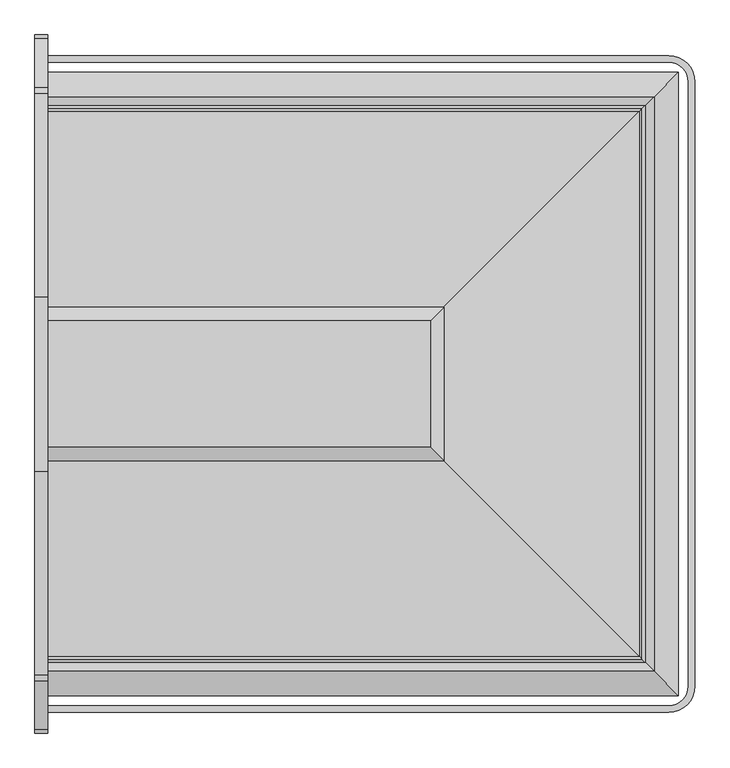
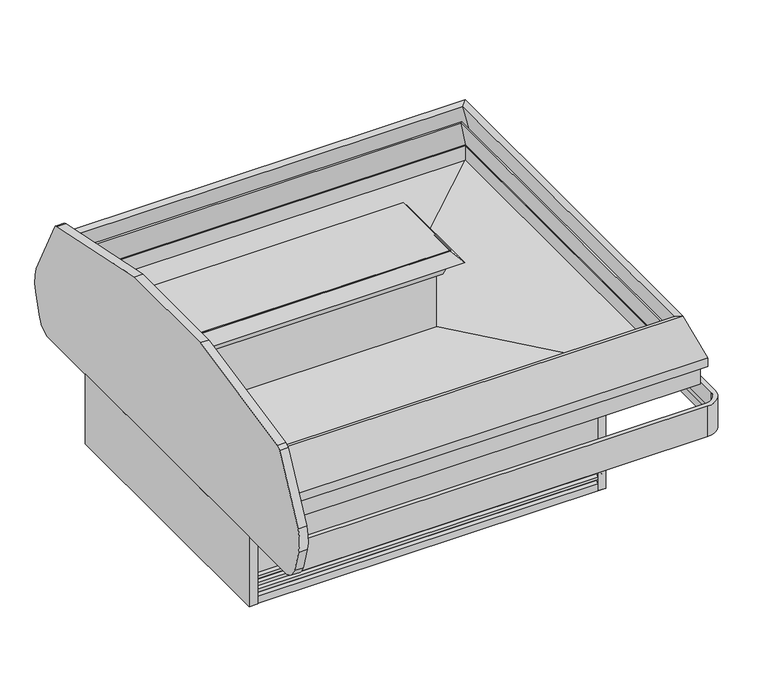
"""IFC4 building model written with IfcOpenShell, lengths in millimetres: proxy geometry."""

from ifc_helpers import new_model, si_unit, point, frame, frame_2d, origin, origin_with_axes, place, context, project, spatial, polyline, circle_curve, ellipse_curve, trimmed, segment, composite_curve, outline, extrude, faceted_brep, source, transform, mapped, element, save
from ifc_brep_helpers import plane_surface, cylinder_surface, revolved_surface, advanced_brep


def mechanical_equipment_d831899b(model_context):
    return source(origin(), model_context, "Body", "SolidModel", [
        extrude(outline(polyline([(1114.7610789, -1521.8335484), (1419.5610789, -1521.8335484), (1419.5610789, -1623.4335484), (1114.7610789, -1623.4335484), (1114.7610789, -1521.8335484)])), frame((0.0, 0.0, 139.7), z_axis=(0.0, 0.0, 1.0), x_axis=(1.0, 0.0, 0.0)), (0.0, 0.0, 1.0), 53.975),
        extrude(outline(polyline([(1528.5719993, -1987.1166266), (1528.5719993, -1952.9985136), (1560.3219993, -1952.9985136), (1560.3219993, -1987.1166266), (1528.5719993, -1987.1166266)])), origin_with_axes(), (0.0, 0.0, 1.0), 374.65),
        extrude(outline(polyline([(1528.5719993, -739.722628), (1560.3219993, -739.722628), (1560.3219993, -773.840741), (1528.5719993, -773.840741), (1528.5719993, -739.722628)])), origin_with_axes(), (0.0, 0.0, 1.0), 374.65),
        extrude(outline(polyline([(0.0, -728.4196273), (0.0, -1998.4196273), (-38.1, -1998.4196273), (-38.1, -728.4196273), (0.0, -728.4196273)])), frame((0.0, 0.0, 5.8104303), z_axis=(0.0, 0.0, 1.0), x_axis=(1.0, 0.0, 0.0)), (0.0, 0.0, 1.0), 330.2),
        extrude(outline(composite_curve([segment(trimmed(circle_curve(frame_2d((-2276.0813528, 412.2141747)), 76.2037445), [point((-2276.0813528, 336.0104303))], [point((-2349.0936528, 390.3918303))], False, "CARTESIAN"), True, "CONTINUOUS"), segment(polyline([(-2349.0936528, 390.3918303), (-2380.4118528, 495.1749721)]), True, "CONTINUOUS"), segment(trimmed(circle_curve(frame_2d((-2210.103478, 546.077738)), 177.752733), [point((-2380.4118528, 495.1749721))], [point((-2377.8321273, 604.9261391))], False, "CARTESIAN"), True, "CONTINUOUS"), segment(polyline([(-2377.8321273, 604.9261391), (-2233.2627626, 888.659493)]), True, "CONTINUOUS"), segment(trimmed(circle_curve(frame_2d((-2210.6311969, 877.1281343)), 25.4), [point((-2233.2627626, 888.659493))], [point((-2216.4820638, 901.845079))], False, "CARTESIAN"), True, "CONTINUOUS"), segment(polyline([(-2216.4820638, 901.845079), (-1619.9032333, 1025.3672201), (-1106.9360213, 1025.3672201), (-510.3571908, 901.845079)]), True, "CONTINUOUS"), segment(trimmed(circle_curve(frame_2d((-516.2080577, 877.1281343)), 25.4), [point((-510.3571908, 901.845079))], [point((-493.576492, 888.659493))], False, "CARTESIAN"), True, "CONTINUOUS"), segment(polyline([(-493.576492, 888.659493), (-349.0071273, 604.9261391)]), True, "CONTINUOUS"), segment(trimmed(circle_curve(frame_2d((-516.7357765, 546.077738)), 177.752733), [point((-349.0071273, 604.9261391))], [point((-346.4274018, 495.1749721))], False, "CARTESIAN"), True, "CONTINUOUS"), segment(polyline([(-346.4274018, 495.1749721), (-377.7456018, 390.3918303)]), True, "CONTINUOUS"), segment(trimmed(circle_curve(frame_2d((-450.7579018, 412.2141747)), 76.2037445), [point((-377.7456018, 390.3918303))], [point((-450.7579018, 336.0104303))], False, "CARTESIAN"), True, "CONTINUOUS"), segment(polyline([(-450.7579018, 336.0104303), (-2276.0813528, 336.0104303)]), True, "CONTINUOUS")], self_intersect=False)), frame((-38.1, 0.0, 0.0), z_axis=(1.0, 0.0, 0.0), x_axis=(0.0, 1.0, 0.0)), (0.0, 0.0, 1.0), 38.1),
        advanced_brep(
        [(0.0, -400.7279842, 359.085718), (0.0, -415.4599842, 359.085718), (0.0, -415.4599842, 395.026718), (0.0, -420.1796936, 421.79352), (0.0, -420.1796936, 502.405218), (0.0, -400.7279842, 502.405218), (1822.5002227, -400.7279842, 359.085718), (1899.3166431, -477.5444046, 359.085718), (1899.3166431, -2249.29485, 359.085718), (1822.5002227, -2326.1112704, 359.085718), (0.0, -2326.1112704, 359.085718), (0.0, -2311.3792704, 359.085718), (1822.5002227, -2311.3792704, 359.085718), (1884.5846431, -2249.29485, 359.085718), (1884.5846431, -477.5444046, 359.085718), (1822.5002227, -415.4599842, 359.085718), (1822.5002227, -415.4599842, 395.026718), (1822.5002227, -420.1796936, 421.79352), (1822.5002227, -420.1796936, 502.405218), (1879.8649337, -477.5444046, 502.405218), (1879.8649337, -2249.29485, 502.405218), (1822.5002227, -2306.659561, 502.405218), (0.0, -2306.659561, 502.405218), (0.0, -2326.1112704, 502.405218), (1822.5002227, -2326.1112704, 502.405218), (1899.3166431, -2249.29485, 502.405218), (1899.3166431, -477.5444046, 502.405218), (1822.5002227, -400.7279842, 502.405218), (1884.5846431, -477.5444046, 395.026718), (1879.8649337, -477.5444046, 421.79352), (1884.5846431, -2249.29485, 395.026718), (1879.8649337, -2249.29485, 421.79352), (1822.5002227, -2311.3792704, 395.026718), (1822.5002227, -2306.659561, 421.79352), (0.0, -2306.659561, 421.79352), (0.0, -2311.3792704, 395.026718)],
        [
            (0, 1),
            (1, 2),
            (2, 3),
            (3, 4),
            (4, 5),
            (5, 0),
            (0, 6),
            (6, 7, circle_curve(frame((1822.5002227, -477.5444046, 359.085718), z_axis=(0.0, 0.0, -1.0), x_axis=(0.0, 1.0, 0.0)), 76.8164204)),
            (7, 8),
            (8, 9, circle_curve(frame((1822.5002227, -2249.29485, 359.085718), z_axis=(0.0, 0.0, -1.0), x_axis=(1.0, 0.0, 0.0)), 76.8164204)),
            (9, 10),
            (10, 11),
            (11, 12),
            (12, 13, circle_curve(frame((1822.5002227, -2249.29485, 359.085718), z_axis=(0.0, 0.0, 1.0), x_axis=(1.0, 0.0, 0.0)), 62.0844204)),
            (13, 14),
            (14, 15, circle_curve(frame((1822.5002227, -477.5444046, 359.085718), z_axis=(0.0, 0.0, 1.0), x_axis=(0.0, 1.0, 0.0)), 62.0844204)),
            (15, 1),
            (15, 16),
            (16, 2),
            (16, 17),
            (17, 3),
            (17, 18),
            (18, 4),
            (18, 19, circle_curve(frame((1822.5002227, -477.5444046, 502.405218), z_axis=(0.0, 0.0, -1.0), x_axis=(0.0, 1.0, 0.0)), 57.364711)),
            (19, 20),
            (20, 21, circle_curve(frame((1822.5002227, -2249.29485, 502.405218), z_axis=(0.0, 0.0, -1.0), x_axis=(1.0, 0.0, 0.0)), 57.364711)),
            (21, 22),
            (22, 23),
            (23, 24),
            (24, 25, circle_curve(frame((1822.5002227, -2249.29485, 502.405218), z_axis=(0.0, 0.0, 1.0), x_axis=(1.0, 0.0, 0.0)), 76.8164204)),
            (25, 26),
            (26, 27, circle_curve(frame((1822.5002227, -477.5444046, 502.405218), z_axis=(0.0, 0.0, 1.0), x_axis=(0.0, 1.0, 0.0)), 76.8164204)),
            (27, 5),
            (27, 6),
            (28, 16, circle_curve(frame((1822.5002227, -477.5444046, 395.026718), z_axis=(0.0, 0.0, 1.0), x_axis=(0.0, 1.0, 0.0)), 62.0844204)),
            (14, 28),
            (29, 17, circle_curve(frame((1822.5002227, -477.5444046, 421.79352), z_axis=(0.0, 0.0, 1.0), x_axis=(0.0, 1.0, 0.0)), 57.364711)),
            (28, 29),
            (29, 19),
            (26, 7),
            (13, 30),
            (30, 28),
            (30, 31),
            (31, 29),
            (31, 20),
            (25, 8),
            (32, 30, circle_curve(frame((1822.5002227, -2249.29485, 395.026718), z_axis=(0.0, 0.0, 1.0), x_axis=(1.0, 0.0, 0.0)), 62.0844204)),
            (12, 32),
            (33, 31, circle_curve(frame((1822.5002227, -2249.29485, 421.79352), z_axis=(0.0, 0.0, 1.0), x_axis=(1.0, 0.0, 0.0)), 57.364711)),
            (32, 33),
            (33, 21),
            (24, 9),
            (10, 23),
            (22, 34),
            (34, 35),
            (35, 11),
            (35, 32),
            (34, 33),
        ],
        [
            plane_surface(frame((0.0, -401.3444046, 0.0), z_axis=(-1.0, 0.0, 0.0), x_axis=(0.0, 0.0, 1.0))),
            plane_surface(frame((0.0, -400.7279842, 359.085718), z_axis=(0.0, 0.0, -1.0), x_axis=(1.0, 0.0, 0.0))),
            plane_surface(frame((0.0, -415.4599842, 359.085718), z_axis=(0.0, -1.0, 0.0), x_axis=(1.0, 0.0, 0.0))),
            plane_surface(frame((0.0, -415.4599842, 395.026718), z_axis=(0.0, -0.9848077530122084, -0.17364817766692878), x_axis=(1.0, 0.0, 0.0))),
            plane_surface(frame((0.0, -420.1796936, 421.79352), z_axis=(0.0, -1.0, 0.0), x_axis=(1.0, 0.0, 0.0))),
            plane_surface(frame((0.0, -420.1796936, 502.405218), z_axis=(0.0, 0.0, 1.0), x_axis=(1.0, 0.0, 0.0))),
            plane_surface(frame((0.0, -400.7279842, 502.405218), z_axis=(0.0, 1.0, 0.0), x_axis=(1.0, 0.0, 0.0))),
            revolved_surface(polyline([(1822.5002227, -415.4599842, 359.085718), (1822.5002227, -415.4599842, 395.026718)]), (1822.5002227, -477.5444046, 0.0), (0.0, 0.0, -1.0)),
            revolved_surface(polyline([(1822.5002227, -415.4599842, 395.026718), (1822.5002227, -420.1796936, 421.79352)]), (1822.5002227, -477.5444046, 0.0), (0.0, 0.0, -1.0)),
            revolved_surface(polyline([(1822.5002227, -420.1796936, 421.79352), (1822.5002227, -420.1796936, 502.405218)]), (1822.5002227, -477.5444046, 0.0), (0.0, 0.0, -1.0)),
            cylinder_surface(frame((1822.5002227, -477.5444046, 0.0), z_axis=(0.0, 0.0, -1.0), x_axis=(0.0, 1.0, 0.0)), 76.8164204),
            plane_surface(frame((1884.5846431, -477.5444046, 359.085718), z_axis=(-1.0, 0.0, 0.0), x_axis=(0.0, -1.0, 0.0))),
            plane_surface(frame((1884.5846431, -477.5444046, 395.026718), z_axis=(-0.9848077530122084, 0.0, -0.17364817766692878), x_axis=(0.0, -1.0, 0.0))),
            plane_surface(frame((1879.8649337, -477.5444046, 421.79352), z_axis=(-1.0, 0.0, 0.0), x_axis=(0.0, -1.0, 0.0))),
            plane_surface(frame((1899.3166431, -477.5444046, 502.405218), z_axis=(1.0, 0.0, 0.0), x_axis=(0.0, -1.0, 0.0))),
            revolved_surface(polyline([(1884.5846431, -2249.29485, 359.085718), (1884.5846431, -2249.29485, 395.026718)]), (1822.5002227, -2249.29485, 0.0), (0.0, 0.0, -1.0)),
            revolved_surface(polyline([(1884.5846431, -2249.29485, 395.026718), (1879.8649337, -2249.29485, 421.79352)]), (1822.5002227, -2249.29485, 0.0), (0.0, 0.0, -1.0)),
            revolved_surface(polyline([(1879.8649337, -2249.29485, 421.79352), (1879.8649337, -2249.29485, 502.405218)]), (1822.5002227, -2249.29485, 0.0), (0.0, 0.0, -1.0)),
            cylinder_surface(frame((1822.5002227, -2249.29485, 0.0), z_axis=(0.0, 0.0, -1.0), x_axis=(1.0, 0.0, 0.0)), 76.8164204),
            plane_surface(frame((0.0, -2325.49485, 0.0), z_axis=(-1.0, 0.0, 0.0), x_axis=(0.0, 0.0, 1.0))),
            plane_surface(frame((1822.5002227, -2311.3792704, 359.085718), z_axis=(0.0, 1.0, 0.0), x_axis=(-1.0, 0.0, 0.0))),
            plane_surface(frame((1822.5002227, -2311.3792704, 395.026718), z_axis=(0.0, 0.9848077530122084, -0.17364817766692878), x_axis=(-1.0, 0.0, 0.0))),
            plane_surface(frame((1822.5002227, -2306.659561, 421.79352), z_axis=(0.0, 1.0, 0.0), x_axis=(-1.0, 0.0, 0.0))),
            plane_surface(frame((1822.5002227, -2326.1112704, 502.405218), z_axis=(0.0, -1.0, 0.0), x_axis=(-1.0, 0.0, 0.0))),
        ],
        [
            (0, [[1, 2, 3, 4, 5, 6]]),
            (1, [[-1, 7, 8, 9, 10, 11, 12, 13, 14, 15, 16, 17]]),
            (2, [[-2, -17, 18, 19]]),
            (3, [[-3, -19, 20, 21]]),
            (4, [[-4, -21, 22, 23]]),
            (5, [[-5, -23, 24, 25, 26, 27, 28, 29, 30, 31, 32, 33]]),
            (6, [[-6, -33, 34, -7]]),
            (7, [[35, -18, -16, 36]]),
            (8, [[37, -20, -35, 38]]),
            (9, [[-24, -22, -37, 39]]),
            (10, [[-8, -34, -32, 40]]),
            (11, [[-36, -15, 41, 42]]),
            (12, [[-38, -42, 43, 44]]),
            (13, [[-39, -44, 45, -25]]),
            (14, [[-40, -31, 46, -9]]),
            (15, [[47, -41, -14, 48]]),
            (16, [[49, -43, -47, 50]]),
            (17, [[-26, -45, -49, 51]]),
            (18, [[-10, -46, -30, 52]]),
            (19, [[53, -28, 54, 55, 56, -12]]),
            (20, [[-48, -13, -56, 57]]),
            (21, [[-50, -57, -55, 58]]),
            (22, [[-51, -58, -54, -27]]),
            (23, [[-52, -29, -53, -11]]),
        ],
    ),
        extrude(outline(composite_curve([segment(trimmed(circle_curve(frame_2d((914.4, -1363.4196273)), 19.05), [point((895.35, -1363.4196273))], [point((933.45, -1363.4196273))], False, "CARTESIAN"), True, "CONTINUOUS"), segment(trimmed(circle_curve(frame_2d((914.4, -1363.4196273)), 19.05), [point((933.45, -1363.4196273))], [point((895.35, -1363.4196273))], False, "CARTESIAN"), True, "CONTINUOUS")], self_intersect=False)), frame((0.0, 0.0, 43.7437524), z_axis=(0.0, 0.0, 1.0), x_axis=(1.0, 0.0, 0.0)), (0.0, 0.0, 1.0), 210.2562476),
        extrude(outline(composite_curve([segment(trimmed(circle_curve(frame_2d((636.4705885, -1029.9828833)), 11.1125), [point((625.3580885, -1029.9828833))], [point((647.5830885, -1029.9828833))], False, "CARTESIAN"), True, "CONTINUOUS"), segment(trimmed(circle_curve(frame_2d((636.4705885, -1029.9828833)), 11.1125), [point((647.5830885, -1029.9828833))], [point((625.3580885, -1029.9828833))], False, "CARTESIAN"), True, "CONTINUOUS")], self_intersect=False)), frame((0.0, 0.0, 87.4159355), z_axis=(0.0, 0.0, 1.0), x_axis=(1.0, 0.0, 0.0)), (0.0, 0.0, 1.0), 166.5840645),
        extrude(outline(composite_curve([segment(trimmed(circle_curve(frame_2d((636.9382345, -1050.5593095)), 4.7625), [point((632.1757345, -1050.5593095))], [point((641.7007345, -1050.5593095))], False, "CARTESIAN"), True, "CONTINUOUS"), segment(trimmed(circle_curve(frame_2d((636.9382345, -1050.5593095)), 4.7625), [point((641.7007345, -1050.5593095))], [point((632.1757345, -1050.5593095))], False, "CARTESIAN"), True, "CONTINUOUS")], self_intersect=False)), frame((0.0, 0.0, 87.4159355), z_axis=(0.0, 0.0, 1.0), x_axis=(1.0, 0.0, 0.0)), (0.0, 0.0, 1.0), 166.5840645),
        faceted_brep([(0.0, -1987.1166266, 146.05), (0.0, -1987.1166266, 354.3983804), (0.0, -1969.2096266, 354.3983804), (0.0, -1969.2096266, 374.65), (0.0, -1865.4057062, 374.65), (0.0, -1865.4057062, 146.05), (1560.3219993, -1987.1166266, 146.05), (1560.3219993, -1987.1166266, 354.3983804), (1560.3219993, -739.722628, 354.3983804), (0.0, -739.722628, 354.3983804), (0.0, -757.629628, 354.3983804), (1542.4149993, -757.629628, 354.3983804), (1542.4149993, -1969.2096266, 354.3983804), (1542.4149993, -1969.2096266, 374.65), (1542.4149993, -757.629628, 374.65), (0.0, -757.629628, 374.65), (0.0, -861.4335484, 374.65), (1438.6110789, -861.4335484, 374.65), (1438.6110789, -1865.4057062, 374.65), (1438.6110789, -1865.4057062, 146.05), (1438.6110789, -1665.3807062, 146.05), (1438.6110789, -1508.4341352, 146.05), (1438.6110789, -861.4335484, 146.05), (0.0, -861.4335484, 146.05), (0.0, -739.722628, 146.05), (1560.3219993, -739.722628, 146.05)], [[[0, 1, 2, 3, 4, 5]], [[1, 0, 6, 7]], [[2, 1, 7, 8, 9, 10, 11, 12]], [[3, 2, 12, 13]], [[4, 3, 13, 14, 15, 16, 17, 18]], [[5, 4, 18, 19]], [[0, 5, 19, 20, 21, 22, 23, 24, 25, 6]], [[7, 6, 25, 8]], [[12, 11, 14, 13]], [[18, 17, 22, 21, 20, 19]], [[10, 9, 24, 23, 16, 15]], [[9, 8, 25, 24]], [[11, 10, 15, 14]], [[17, 16, 23, 22]]]),
        advanced_brep(
        [(1438.6110789, -1508.4341352, 561.4683528), (1438.6110789, -1508.4341352, 449.6331021), (1438.6110789, -1764.6985468, 436.6496591), (1438.6110789, -1779.7804526, 422.3615379), (1438.6110789, -1794.8612198, 436.6485806), (1438.6110789, -1901.8970159, 440.5227377), (1438.6110789, -1901.8970159, 374.65), (1438.6110789, -1865.4057062, 374.65), (1438.6110789, -1865.4057062, 139.7), (1438.6110789, -1665.3807062, 139.7), (1438.6110789, -1665.3807062, 206.9984495), (1438.6110789, -1508.4341352, 206.9984495), (1438.6110789, -1508.4341352, 139.7), (1438.6110789, -861.4335484, 139.7), (1438.6110789, -861.4335484, 374.65), (1438.6110789, -824.9422387, 374.65), (1438.6110789, -824.9422387, 440.5227377), (1438.6110789, -931.9780348, 436.6485806), (1438.6110789, -947.058802, 422.3615379), (1438.6110789, -962.1407078, 436.6496591), (1438.6110789, -1218.4051194, 449.6331021), (1438.6110789, -1218.4051194, 561.4683528), (0.0, -1508.4341352, 561.4683528), (0.0, -1218.4051194, 561.4683528), (0.0, -1218.4051194, 449.6331021), (0.0, -962.1407078, 436.6496591), (0.0, -947.058802, 422.3615379), (0.0, -931.9780348, 436.6485806), (0.0, -824.9422387, 440.5227377), (0.0, -824.9422387, 374.65), (0.0, -861.4335484, 374.65), (0.0, -861.4335484, 139.7), (0.0, -1865.4057062, 139.7), (0.0, -1865.4057062, 374.65), (0.0, -1901.8970159, 374.65), (0.0, -1901.8970159, 440.5227377), (0.0, -1794.8612198, 436.6485806), (0.0, -1779.7804526, 422.3615379), (0.0, -1764.6985468, 436.6496591), (0.0, -1508.4341352, 449.6331021), (1063.9610789, -1508.4341352, 139.7), (1063.9610789, -1665.3807062, 139.7), (611.1875, -1039.5696273, 139.7), (661.9875, -1039.5696273, 139.7), (882.65, -1362.9182706, 139.7), (946.15, -1362.9182706, 139.7), (611.1875, -1039.5696273, 254.0), (661.9875, -1039.5696273, 254.0), (882.65, -1362.9182706, 254.0), (946.15, -1362.9182706, 254.0), (1063.9610789, -1665.3807062, 206.9984495), (1063.9610789, -1508.4341352, 206.9984495)],
        [
            (0, 1),
            (1, 2),
            (2, 3),
            (3, 4),
            (4, 5),
            (5, 6),
            (6, 7),
            (7, 8),
            (8, 9),
            (9, 10),
            (10, 11),
            (11, 12),
            (12, 13),
            (13, 14),
            (14, 15),
            (15, 16),
            (16, 17),
            (17, 18),
            (18, 19),
            (19, 20),
            (20, 21),
            (21, 0),
            (22, 23),
            (23, 24),
            (24, 25),
            (25, 26),
            (26, 27),
            (27, 28),
            (28, 29),
            (29, 30),
            (30, 31),
            (31, 32),
            (32, 33),
            (33, 34),
            (34, 35),
            (35, 36),
            (36, 37),
            (37, 38),
            (38, 39),
            (39, 22),
            (21, 23),
            (22, 0),
            (39, 1),
            (7, 33),
            (32, 8),
            (31, 13),
            (12, 40),
            (40, 41),
            (41, 9),
            (42, 43, circle_curve(frame((636.5875, -1039.5696273, 139.7), z_axis=(0.0, 0.0, 1.0), x_axis=(1.0, 0.0, 0.0)), 25.4)),
            (43, 42, circle_curve(frame((636.5875, -1039.5696273, 139.7), z_axis=(0.0, 0.0, 1.0), x_axis=(1.0, 0.0, 0.0)), 25.4)),
            (44, 45, circle_curve(frame((914.4, -1362.9182706, 139.7), z_axis=(0.0, 0.0, 1.0), x_axis=(1.0, 0.0, 0.0)), 31.75)),
            (45, 44, circle_curve(frame((914.4, -1362.9182706, 139.7), z_axis=(0.0, 0.0, 1.0), x_axis=(1.0, 0.0, 0.0)), 31.75)),
            (6, 34),
            (46, 47, circle_curve(frame((636.5875, -1039.5696273, 254.0), z_axis=(0.0, 0.0, -1.0), x_axis=(1.0, 0.0, 0.0)), 25.4)),
            (47, 46, circle_curve(frame((636.5875, -1039.5696273, 254.0), z_axis=(0.0, 0.0, -1.0), x_axis=(1.0, 0.0, 0.0)), 25.4)),
            (47, 43),
            (42, 46),
            (48, 49, circle_curve(frame((914.4, -1362.9182706, 254.0), z_axis=(0.0, 0.0, -1.0), x_axis=(1.0, 0.0, 0.0)), 31.75)),
            (49, 48, circle_curve(frame((914.4, -1362.9182706, 254.0), z_axis=(0.0, 0.0, -1.0), x_axis=(1.0, 0.0, 0.0)), 31.75)),
            (49, 45),
            (44, 48),
            (50, 51),
            (51, 11),
            (10, 50),
            (41, 50),
            (51, 40),
            (38, 2),
            (5, 35),
            (37, 3),
            (36, 4),
            (30, 14),
            (29, 15),
            (28, 16),
            (27, 17),
            (26, 18),
            (25, 19),
            (24, 20),
        ],
        [
            plane_surface(frame((1438.6110789, -1508.4341352, 561.4683528), z_axis=(1.0, 0.0, 0.0), x_axis=(0.0, 0.0, -1.0))),
            plane_surface(frame((0.0, -1508.4341352, 561.4683528), z_axis=(-1.0, 0.0, 0.0), x_axis=(0.0, 0.0, 1.0))),
            plane_surface(frame((1438.6110789, -1218.4051194, 561.4683528), z_axis=(0.0, 0.0, 1.0), x_axis=(-1.0, 0.0, 0.0))),
            plane_surface(frame((1438.6110789, -1508.4341352, 561.4683528), z_axis=(0.0, -1.0, 0.0), x_axis=(-1.0, 0.0, 0.0))),
            plane_surface(frame((1438.6110789, -1865.4057062, 374.65), z_axis=(0.0, -1.0, 0.0), x_axis=(-1.0, 0.0, 0.0))),
            plane_surface(frame((1438.6110789, -1865.4057062, 139.7), z_axis=(0.0, 0.0, -1.0), x_axis=(-1.0, 0.0, 0.0))),
            plane_surface(frame((1438.6110789, -1901.8970159, 374.65), z_axis=(0.0, 0.0, -1.0), x_axis=(-1.0, 0.0, 0.0))),
            plane_surface(frame((661.9875, -1039.5696273, 254.0), z_axis=(0.0, 0.0, -1.0), x_axis=(0.0, 1.0, 0.0))),
            revolved_surface(polyline([(661.9875, -1039.5696273, 254.0), (661.9875, -1039.5696273, 139.7)]), (636.5875, -1039.5696273, 0.0), (0.0, 0.0, 1.0)),
            plane_surface(frame((946.15, -1362.9182706, 254.0), z_axis=(0.0, 0.0, -1.0), x_axis=(0.0, 1.0, 0.0))),
            revolved_surface(polyline([(946.15, -1362.9182706, 254.0), (946.15, -1362.9182706, 139.7)]), (914.4, -1362.9182706, 0.0), (0.0, 0.0, 1.0)),
            plane_surface(frame((1438.6110789, -1665.3807062, 206.9984495), z_axis=(0.0, 0.0, -1.0), x_axis=(1.0, 0.0, 0.0))),
            plane_surface(frame((1063.9610789, -1665.3807062, 206.9984495), z_axis=(0.0, 1.0, 0.0), x_axis=(0.0, 0.0, -1.0))),
            plane_surface(frame((1438.6110789, -1508.4341352, 206.9984495), z_axis=(0.0, -1.0, 0.0), x_axis=(0.0, 0.0, -1.0))),
            plane_surface(frame((1063.9610789, -1508.4341352, 206.9984495), z_axis=(1.0, 0.0, 0.0), x_axis=(0.0, 0.0, -1.0))),
            plane_surface(frame((1438.6110789, -1508.4341352, 449.6331021), z_axis=(0.0, -0.05059934604185482, 0.9987190326513943), x_axis=(-1.0, 0.0, 0.0))),
            plane_surface(frame((1438.6110789, -1901.8970159, 440.5227377), z_axis=(0.0, -1.0, 0.0), x_axis=(-1.0, 0.0, 0.0))),
            plane_surface(frame((1438.6110789, -1764.6985468, 436.6496591), z_axis=(0.0, -0.6877446479107795, 0.72595268390583), x_axis=(-1.0, 0.0, 0.0))),
            plane_surface(frame((1438.6110789, -1779.7804526, 422.3615379), z_axis=(0.0, 0.6877446479107768, 0.7259526839058327), x_axis=(-1.0, 0.0, 0.0))),
            plane_surface(frame((1438.6110789, -1794.8612198, 436.6485806), z_axis=(0.0, 0.036171280996502485, 0.9993456050991929), x_axis=(-1.0, 0.0, 0.0))),
            plane_surface(frame((1438.6110789, -861.4335484, 139.7), z_axis=(0.0, 1.0, 0.0), x_axis=(-1.0, 0.0, 0.0))),
            plane_surface(frame((1438.6110789, -861.4335484, 374.65), z_axis=(0.0, 0.0, -1.0), x_axis=(-1.0, 0.0, 0.0))),
            plane_surface(frame((1438.6110789, -824.9422387, 374.65), z_axis=(0.0, 1.0, 0.0), x_axis=(-1.0, 0.0, 0.0))),
            plane_surface(frame((1438.6110789, -824.9422387, 440.5227377), z_axis=(0.0, -0.03617128099650132, 0.999345605099193), x_axis=(-1.0, 0.0, 0.0))),
            plane_surface(frame((1438.6110789, -931.9780348, 436.6485806), z_axis=(0.0, -0.687744647910777, 0.7259526839058325), x_axis=(-1.0, 0.0, 0.0))),
            plane_surface(frame((1438.6110789, -947.058802, 422.3615379), z_axis=(0.0, 0.6877446479107832, 0.7259526839058267), x_axis=(-1.0, 0.0, 0.0))),
            plane_surface(frame((1438.6110789, -962.1407078, 436.6496591), z_axis=(0.0, 0.05059934604185525, 0.9987190326513942), x_axis=(-1.0, 0.0, 0.0))),
            plane_surface(frame((1438.6110789, -1218.4051194, 449.6331021), z_axis=(0.0, 1.0, 0.0), x_axis=(-1.0, 0.0, 0.0))),
        ],
        [
            (0, [[1, 2, 3, 4, 5, 6, 7, 8, 9, 10, 11, 12, 13, 14, 15, 16, 17, 18, 19, 20, 21, 22]]),
            (1, [[23, 24, 25, 26, 27, 28, 29, 30, 31, 32, 33, 34, 35, 36, 37, 38, 39, 40]]),
            (2, [[-22, 41, -23, 42]]),
            (3, [[-1, -42, -40, 43]]),
            (4, [[-8, 44, -33, 45]]),
            (5, [[-32, 46, -13, 47, 48, 49, -9, -45], [50, 51], [52, 53]]),
            (6, [[-7, 54, -34, -44]]),
            (7, [[55, 56]]),
            (8, [[-56, 57, -50, 58]]),
            (8, [[-55, -58, -51, -57]]),
            (9, [[59, 60]]),
            (10, [[-60, 61, -52, 62]]),
            (10, [[-59, -62, -53, -61]]),
            (11, [[63, 64, -11, 65]]),
            (12, [[-65, -10, -49, 66]]),
            (13, [[-64, 67, -47, -12]]),
            (14, [[-63, -66, -48, -67]]),
            (15, [[-2, -43, -39, 68]]),
            (16, [[-6, 69, -35, -54]]),
            (17, [[-3, -68, -38, 70]]),
            (18, [[-4, -70, -37, 71]]),
            (19, [[-5, -71, -36, -69]]),
            (20, [[-14, -46, -31, 72]]),
            (21, [[-15, -72, -30, 73]]),
            (22, [[-16, -73, -29, 74]]),
            (23, [[-17, -74, -28, 75]]),
            (24, [[-18, -75, -27, 76]]),
            (25, [[-19, -76, -26, 77]]),
            (26, [[-20, -77, -25, 78]]),
            (27, [[-21, -78, -24, -41]]),
        ],
    ),
        advanced_brep(
        [(0.0, -1973.7348032, 41.0863151), (0.0, -1970.2457061, 52.2515752), (0.0, -1980.8829014, 50.0937524), (0.0, -1982.8768014, 50.0937524), (0.0, -1982.8768014, 62.7937524), (0.0, -1973.7348032, 72.0584982), (0.0, -1970.2457061, 83.2237583), (0.0, -1980.8829014, 81.0659355), (0.0, -1982.8768014, 81.0659355), (0.0, -1982.8768014, 93.7659355), (0.0, -1973.7348032, 103.0306813), (0.0, -1970.2457061, 114.0694894), (0.0, -1980.8829014, 112.0383055), (0.0, -1982.8768014, 112.0383055), (0.0, -1982.8768014, 124.7383055), (0.0, -1970.2457061, 137.4381186), (0.0, -1970.2457061, 146.05), (0.0, -1960.1374494, 146.05), (0.0, -1960.1374494, 0.0), (0.0, -1985.7651061, 0.0), (0.0, -1985.7651061, 31.4790022), (0.0, -753.1044514, 41.0863151), (0.0, -741.0741485, 31.4790022), (0.0, -741.0741485, 0.0), (0.0, -766.7018052, 0.0), (0.0, -766.7018052, 146.05), (0.0, -756.5935485, 146.05), (0.0, -756.5935485, 137.4381186), (0.0, -743.9624532, 124.7383055), (0.0, -743.9624532, 112.0383055), (0.0, -745.9563532, 112.0383055), (0.0, -756.5935485, 114.0694894), (0.0, -753.1044514, 103.0306813), (0.0, -743.9624532, 93.7659355), (0.0, -743.9624532, 81.0659355), (0.0, -745.9563532, 81.0659355), (0.0, -756.5935485, 83.2237583), (0.0, -753.1044514, 72.0584982), (0.0, -743.9624532, 62.7937524), (0.0, -743.9624532, 50.0937524), (0.0, -745.9563532, 50.0937524), (0.0, -756.5935485, 52.2515752), (1546.9401759, -1973.7348032, 41.0863151), (1543.4510788, -1970.2457061, 52.2515752), (1554.0882741, -1980.8829014, 50.0937524), (1554.0882741, -745.9563532, 50.0937524), (1556.0821741, -743.9624532, 50.0937524), (1556.0821741, -1982.8768014, 50.0937524), (1556.0821741, -1982.8768014, 62.7937524), (1546.9401759, -1973.7348032, 72.0584982), (1543.4510788, -1970.2457061, 83.2237583), (1554.0882741, -1980.8829014, 81.0659355), (1554.0882741, -745.9563532, 81.0659355), (1556.0821741, -743.9624532, 81.0659355), (1556.0821741, -1982.8768014, 81.0659355), (1556.0821741, -1982.8768014, 93.7659355), (1546.9401759, -1973.7348032, 103.0306813), (1543.4510788, -1970.2457061, 114.0694894), (1554.0882741, -1980.8829014, 112.0383055), (1554.0882741, -745.9563532, 112.0383055), (1556.0821741, -743.9624532, 112.0383055), (1556.0821741, -1982.8768014, 112.0383055), (1556.0821741, -1982.8768014, 124.7383055), (1543.4510788, -1970.2457061, 137.4381186), (1543.4510788, -1970.2457061, 146.05), (1543.4510788, -756.5935485, 146.05), (1533.3428221, -766.7018052, 146.05), (1533.3428221, -1960.1374494, 146.05), (1533.3428221, -1960.1374494, 0.0), (1533.3428221, -766.7018052, 0.0), (1558.9704788, -741.0741485, 0.0), (1558.9704788, -1985.7651061, 0.0), (1558.9704788, -1985.7651061, 31.4790022), (1546.9401759, -753.1044514, 41.0863151), (1543.4510788, -756.5935485, 52.2515752), (1556.0821741, -743.9624532, 62.7937524), (1546.9401759, -753.1044514, 72.0584982), (1543.4510788, -756.5935485, 83.2237583), (1556.0821741, -743.9624532, 93.7659355), (1546.9401759, -753.1044514, 103.0306813), (1543.4510788, -756.5935485, 114.0694894), (1556.0821741, -743.9624532, 124.7383055), (1543.4510788, -756.5935485, 137.4381186), (1558.9704788, -741.0741485, 31.4790022)],
        [
            (0, 1),
            (1, 2),
            (2, 3),
            (3, 4),
            (4, 5, circle_curve(frame((0.0, -1986.0686404, 75.0861144), z_axis=(1.0, 0.0, 0.0), x_axis=(0.0, 1.0, 0.0)), 12.7)),
            (5, 6),
            (6, 7),
            (7, 8),
            (8, 9),
            (9, 10, circle_curve(frame((0.0, -1986.0686404, 106.0582975), z_axis=(1.0, 0.0, 0.0), x_axis=(0.0, 1.0, 0.0)), 12.7)),
            (10, 11),
            (11, 12),
            (12, 13),
            (13, 14),
            (14, 15, circle_curve(frame((0.0, -1982.9457061, 137.4381186), z_axis=(1.0, 0.0, 0.0), x_axis=(0.0, 1.0, 0.0)), 12.7)),
            (15, 16),
            (16, 17),
            (17, 18),
            (18, 19),
            (19, 20),
            (20, 0, circle_curve(frame((0.0, -1984.7113588, 42.4953422), z_axis=(1.0, 0.0, 0.0), x_axis=(0.0, 1.0, 0.0)), 11.0666223)),
            (21, 22, circle_curve(frame((0.0, -742.1278958, 42.4953422), z_axis=(1.0, 0.0, 0.0), x_axis=(0.0, -1.0, 0.0)), 11.0666223)),
            (22, 23),
            (23, 24),
            (24, 25),
            (25, 26),
            (26, 27),
            (27, 28, circle_curve(frame((0.0, -743.8935485, 137.4381186), z_axis=(1.0, 0.0, 0.0), x_axis=(0.0, -1.0, 0.0)), 12.7)),
            (28, 29),
            (29, 30),
            (30, 31),
            (31, 32),
            (32, 33, circle_curve(frame((0.0, -740.7706142, 106.0582975), z_axis=(1.0, 0.0, 0.0), x_axis=(0.0, -1.0, 0.0)), 12.7)),
            (33, 34),
            (34, 35),
            (35, 36),
            (36, 37),
            (37, 38, circle_curve(frame((0.0, -740.7706142, 75.0861144), z_axis=(1.0, 0.0, 0.0), x_axis=(0.0, -1.0, 0.0)), 12.7)),
            (38, 39),
            (39, 40),
            (40, 41),
            (41, 21),
            (0, 42),
            (42, 43),
            (43, 1),
            (43, 44),
            (44, 2),
            (44, 45),
            (45, 40),
            (39, 46),
            (46, 47),
            (47, 3),
            (47, 48),
            (48, 4),
            (48, 49, ellipse_curve(frame((1559.2740131, -1986.0686404, 75.0861144), z_axis=(0.7071067811865475, 0.7071067811865475, 0.0), x_axis=(0.7071067811865476, -0.7071067811865474, 0.0)), 17.9605122, 12.7)),
            (49, 5),
            (49, 50),
            (50, 6),
            (50, 51),
            (51, 7),
            (51, 52),
            (52, 35),
            (34, 53),
            (53, 54),
            (54, 8),
            (54, 55),
            (55, 9),
            (55, 56, ellipse_curve(frame((1559.2740131, -1986.0686404, 106.0582975), z_axis=(0.7071067811865475, 0.7071067811865475, 0.0), x_axis=(0.7071067811865476, -0.7071067811865474, 0.0)), 17.9605122, 12.7)),
            (56, 10),
            (56, 57),
            (57, 11),
            (57, 58),
            (58, 12),
            (58, 59),
            (59, 30),
            (29, 60),
            (60, 61),
            (61, 13),
            (61, 62),
            (62, 14),
            (62, 63, ellipse_curve(frame((1556.1510788, -1982.9457061, 137.4381186), z_axis=(0.7071067811865475, 0.7071067811865475, 0.0), x_axis=(0.7071067811865476, -0.7071067811865474, 0.0)), 17.9605122, 12.7)),
            (63, 15),
            (63, 64),
            (64, 16),
            (64, 65),
            (65, 26),
            (25, 66),
            (66, 67),
            (67, 17),
            (67, 68),
            (68, 18),
            (68, 69),
            (69, 24),
            (23, 70),
            (70, 71),
            (71, 19),
            (71, 72),
            (72, 20),
            (72, 42, ellipse_curve(frame((1557.9167315, -1984.7113588, 42.4953422), z_axis=(0.7071067811865475, 0.7071067811865475, 0.0), x_axis=(0.7071067811865476, -0.7071067811865474, 0.0)), 15.6505674, 11.0666223)),
            (42, 73),
            (73, 74),
            (74, 43),
            (74, 45),
            (46, 75),
            (75, 48),
            (75, 76, ellipse_curve(frame((1559.2740131, -740.7706142, 75.0861144), z_axis=(-0.7071067811865475, 0.7071067811865475, 0.0), x_axis=(0.7071067811865474, 0.7071067811865476, 0.0)), 17.9605122, 12.7)),
            (76, 49),
            (76, 77),
            (77, 50),
            (77, 52),
            (53, 78),
            (78, 55),
            (78, 79, ellipse_curve(frame((1559.2740131, -740.7706142, 106.0582975), z_axis=(-0.7071067811865475, 0.7071067811865475, 0.0), x_axis=(0.7071067811865474, 0.7071067811865476, 0.0)), 17.9605122, 12.7)),
            (79, 56),
            (79, 80),
            (80, 57),
            (80, 59),
            (60, 81),
            (81, 62),
            (81, 82, ellipse_curve(frame((1556.1510788, -743.8935485, 137.4381186), z_axis=(-0.7071067811865475, 0.7071067811865475, 0.0), x_axis=(0.7071067811865474, 0.7071067811865476, 0.0)), 17.9605122, 12.7)),
            (82, 63),
            (82, 65),
            (66, 69),
            (70, 83),
            (83, 72),
            (83, 73, ellipse_curve(frame((1557.9167315, -742.1278958, 42.4953422), z_axis=(-0.7071067811865475, 0.7071067811865475, 0.0), x_axis=(0.7071067811865474, 0.7071067811865476, 0.0)), 15.6505674, 11.0666223)),
            (41, 74),
            (73, 21),
            (38, 75),
            (37, 76),
            (36, 77),
            (33, 78),
            (32, 79),
            (31, 80),
            (28, 81),
            (27, 82),
            (22, 83),
        ],
        [
            plane_surface(frame((0.0, -2377.8321273, 0.0), z_axis=(-1.0, 0.0, 0.0), x_axis=(0.0, 0.0, 1.0))),
            plane_surface(frame((0.0, -349.0071273, 0.0), z_axis=(-1.0, 0.0, 0.0), x_axis=(0.0, 0.0, 1.0))),
            plane_surface(frame((0.0, -1973.7348032, 41.0863151), z_axis=(0.0, -0.9544811145040176, 0.29827135641085006), x_axis=(1.0, 0.0, 0.0))),
            plane_surface(frame((0.0, -1970.2457061, 52.2515752), z_axis=(0.0, 0.19880707887699167, -0.9800386448443743), x_axis=(1.0, 0.0, 0.0))),
            plane_surface(frame((0.0, -1980.8829014, 50.0937524), z_axis=(0.0, 0.0, -1.0), x_axis=(1.0, 0.0, 0.0))),
            plane_surface(frame((0.0, -1982.8768014, 50.0937524), z_axis=(0.0, -1.0, 0.0), x_axis=(1.0, 0.0, 0.0))),
            revolved_surface(polyline([(1571.9740130702037, -1973.3686404, 75.0861144), (0.0, -1973.3686404, 75.0861144)]), (0.0, -1986.0686404, 75.0861144), (1.0, 0.0, 0.0)),
            plane_surface(frame((0.0, -1973.7348032, 72.0584982), z_axis=(0.0, -0.9544811145039999, 0.29827135641090713), x_axis=(1.0, 0.0, 0.0))),
            plane_surface(frame((0.0, -1970.2457061, 83.2237583), z_axis=(0.0, 0.19880707887699767, -0.9800386448443731), x_axis=(1.0, 0.0, 0.0))),
            plane_surface(frame((0.0, -1980.8829014, 81.0659355), z_axis=(0.0, 0.0, -1.0), x_axis=(1.0, 0.0, 0.0))),
            plane_surface(frame((0.0, -1982.8768014, 81.0659355), z_axis=(0.0, -1.0, 0.0), x_axis=(1.0, 0.0, 0.0))),
            revolved_surface(polyline([(1571.9740130702037, -1973.3686404, 106.0582975), (0.0, -1973.3686404, 106.0582975)]), (0.0, -1986.0686404, 106.0582975), (1.0, 0.0, 0.0)),
            plane_surface(frame((0.0, -1973.7348032, 103.0306813), z_axis=(0.0, -0.9535043111328462, 0.30137937661870046), x_axis=(1.0, 0.0, 0.0))),
            plane_surface(frame((0.0, -1970.2457061, 114.0694894), z_axis=(0.0, 0.18756221551803973, -0.9822527247658641), x_axis=(1.0, 0.0, 0.0))),
            plane_surface(frame((0.0, -1980.8829014, 112.0383055), z_axis=(0.0, 0.0, -1.0), x_axis=(1.0, 0.0, 0.0))),
            plane_surface(frame((0.0, -1982.8768014, 112.0383055), z_axis=(0.0, -1.0, 0.0), x_axis=(1.0, 0.0, 0.0))),
            revolved_surface(polyline([(1568.8510787702037, -1970.2457061, 137.4381186), (0.0, -1970.2457061, 137.4381186)]), (0.0, -1982.9457061, 137.4381186), (1.0, 0.0, 0.0)),
            plane_surface(frame((0.0, -1970.2457061, 137.4381186), z_axis=(0.0, -1.0, 0.0), x_axis=(1.0, 0.0, 0.0))),
            plane_surface(frame((0.0, -1970.2457061, 146.05), z_axis=(0.0, 0.0, 1.0), x_axis=(1.0, 0.0, 0.0))),
            plane_surface(frame((0.0, -1960.1374494, 146.05), z_axis=(0.0, 1.0, 0.0), x_axis=(1.0, 0.0, 0.0))),
            plane_surface(frame((0.0, -1960.1374494, 0.0), z_axis=(0.0, 0.0, -1.0), x_axis=(1.0, 0.0, 0.0))),
            plane_surface(frame((0.0, -1985.7651061, 0.0), z_axis=(0.0, -1.0, 0.0), x_axis=(1.0, 0.0, 0.0))),
            revolved_surface(polyline([(1568.983353837957, -1973.6447365, 42.4953422), (0.0, -1973.6447365, 42.4953422)]), (0.0, -1984.7113588, 42.4953422), (1.0, 0.0, 0.0)),
            plane_surface(frame((1546.9401759, -1973.7348032, 41.0863151), z_axis=(0.9544811145040176, 0.0, 0.29827135641085006), x_axis=(0.0, 1.0, 0.0))),
            plane_surface(frame((1543.4510788, -1970.2457061, 52.2515752), z_axis=(-0.19880707887699167, 0.0, -0.9800386448443743), x_axis=(0.0, 1.0, 0.0))),
            plane_surface(frame((1556.0821741, -1982.8768014, 50.0937524), z_axis=(1.0, 0.0, 0.0), x_axis=(0.0, 1.0, 0.0))),
            revolved_surface(polyline([(1546.5740131, -728.0706142297963, 75.0861144), (1546.5740131, -1998.7686403702037, 75.0861144)]), (1559.2740131, -2377.8321273, 75.0861144), (0.0, 1.0, 0.0)),
            plane_surface(frame((1546.9401759, -1973.7348032, 72.0584982), z_axis=(0.9544811145039999, 0.0, 0.29827135641090713), x_axis=(0.0, 1.0, 0.0))),
            plane_surface(frame((1543.4510788, -1970.2457061, 83.2237583), z_axis=(-0.19880707887699767, 0.0, -0.9800386448443731), x_axis=(0.0, 1.0, 0.0))),
            plane_surface(frame((1556.0821741, -1982.8768014, 81.0659355), z_axis=(1.0, 0.0, 0.0), x_axis=(0.0, 1.0, 0.0))),
            revolved_surface(polyline([(1546.5740131, -728.0706142297963, 106.0582975), (1546.5740131, -1998.7686403702037, 106.0582975)]), (1559.2740131, -2377.8321273, 106.0582975), (0.0, 1.0, 0.0)),
            plane_surface(frame((1546.9401759, -1973.7348032, 103.0306813), z_axis=(0.9535043111328462, 0.0, 0.30137937661870046), x_axis=(0.0, 1.0, 0.0))),
            plane_surface(frame((1543.4510788, -1970.2457061, 114.0694894), z_axis=(-0.18756221551803973, 0.0, -0.9822527247658641), x_axis=(0.0, 1.0, 0.0))),
            plane_surface(frame((1556.0821741, -1982.8768014, 112.0383055), z_axis=(1.0, 0.0, 0.0), x_axis=(0.0, 1.0, 0.0))),
            revolved_surface(polyline([(1543.4510788, -731.1935485297963, 137.4381186), (1543.4510788, -1995.6457060702037, 137.4381186)]), (1556.1510788, -2377.8321273, 137.4381186), (0.0, 1.0, 0.0)),
            plane_surface(frame((1543.4510788, -1970.2457061, 137.4381186), z_axis=(1.0, 0.0, 0.0), x_axis=(0.0, 1.0, 0.0))),
            plane_surface(frame((1533.3428221, -1960.1374494, 146.05), z_axis=(-1.0, 0.0, 0.0), x_axis=(0.0, 1.0, 0.0))),
            plane_surface(frame((1558.9704788, -1985.7651061, 0.0), z_axis=(1.0, 0.0, 0.0), x_axis=(0.0, 1.0, 0.0))),
            revolved_surface(polyline([(1546.8501092, -731.0612734620429, 42.4953422), (1546.8501092, -1995.777981137957, 42.4953422)]), (1557.9167315, -2377.8321273, 42.4953422), (0.0, 1.0, 0.0)),
            plane_surface(frame((1546.9401759, -753.1044514, 41.0863151), z_axis=(0.0, 0.9544811145040176, 0.29827135641085006), x_axis=(-1.0, 0.0, 0.0))),
            plane_surface(frame((1543.4510788, -756.5935485, 52.2515752), z_axis=(0.0, -0.19880707887699167, -0.9800386448443743), x_axis=(-1.0, 0.0, 0.0))),
            plane_surface(frame((1556.0821741, -743.9624532, 50.0937524), z_axis=(0.0, 1.0, 0.0), x_axis=(-1.0, 0.0, 0.0))),
            revolved_surface(polyline([(0.0, -753.4706142, 75.0861144), (1571.9740130702037, -753.4706142, 75.0861144)]), (1951.0375, -740.7706142, 75.0861144), (-1.0, 0.0, 0.0)),
            plane_surface(frame((1546.9401759, -753.1044514, 72.0584982), z_axis=(0.0, 0.9544811145039999, 0.29827135641090713), x_axis=(-1.0, 0.0, 0.0))),
            plane_surface(frame((1543.4510788, -756.5935485, 83.2237583), z_axis=(0.0, -0.19880707887699767, -0.9800386448443731), x_axis=(-1.0, 0.0, 0.0))),
            plane_surface(frame((1556.0821741, -743.9624532, 81.0659355), z_axis=(0.0, 1.0, 0.0), x_axis=(-1.0, 0.0, 0.0))),
            revolved_surface(polyline([(0.0, -753.4706142, 106.0582975), (1571.9740130702037, -753.4706142, 106.0582975)]), (1951.0375, -740.7706142, 106.0582975), (-1.0, 0.0, 0.0)),
            plane_surface(frame((1546.9401759, -753.1044514, 103.0306813), z_axis=(0.0, 0.9535043111328462, 0.30137937661870046), x_axis=(-1.0, 0.0, 0.0))),
            plane_surface(frame((1543.4510788, -756.5935485, 114.0694894), z_axis=(0.0, -0.18756221551803973, -0.9822527247658641), x_axis=(-1.0, 0.0, 0.0))),
            plane_surface(frame((1556.0821741, -743.9624532, 112.0383055), z_axis=(0.0, 1.0, 0.0), x_axis=(-1.0, 0.0, 0.0))),
            revolved_surface(polyline([(0.0, -756.5935485, 137.4381186), (1568.8510787702037, -756.5935485, 137.4381186)]), (1951.0375, -743.8935485, 137.4381186), (-1.0, 0.0, 0.0)),
            plane_surface(frame((1543.4510788, -756.5935485, 137.4381186), z_axis=(0.0, 1.0, 0.0), x_axis=(-1.0, 0.0, 0.0))),
            plane_surface(frame((1533.3428221, -766.7018052, 146.05), z_axis=(0.0, -1.0, 0.0), x_axis=(-1.0, 0.0, 0.0))),
            plane_surface(frame((1558.9704788, -741.0741485, 0.0), z_axis=(0.0, 1.0, 0.0), x_axis=(-1.0, 0.0, 0.0))),
            revolved_surface(polyline([(0.0, -753.1945181, 42.4953422), (1568.983353837957, -753.1945181, 42.4953422)]), (1951.0375, -742.1278958, 42.4953422), (-1.0, 0.0, 0.0)),
        ],
        [
            (0, [[1, 2, 3, 4, 5, 6, 7, 8, 9, 10, 11, 12, 13, 14, 15, 16, 17, 18, 19, 20, 21]]),
            (1, [[22, 23, 24, 25, 26, 27, 28, 29, 30, 31, 32, 33, 34, 35, 36, 37, 38, 39, 40, 41, 42]]),
            (2, [[-1, 43, 44, 45]]),
            (3, [[-2, -45, 46, 47]]),
            (4, [[-3, -47, 48, 49, -40, 50, 51, 52]]),
            (5, [[-4, -52, 53, 54]]),
            (6, [[-5, -54, 55, 56]]),
            (7, [[-6, -56, 57, 58]]),
            (8, [[-7, -58, 59, 60]]),
            (9, [[-8, -60, 61, 62, -35, 63, 64, 65]]),
            (10, [[-9, -65, 66, 67]]),
            (11, [[-10, -67, 68, 69]]),
            (12, [[-11, -69, 70, 71]]),
            (13, [[-12, -71, 72, 73]]),
            (14, [[-13, -73, 74, 75, -30, 76, 77, 78]]),
            (15, [[-14, -78, 79, 80]]),
            (16, [[-15, -80, 81, 82]]),
            (17, [[-16, -82, 83, 84]]),
            (18, [[-17, -84, 85, 86, -26, 87, 88, 89]]),
            (19, [[-18, -89, 90, 91]]),
            (20, [[-19, -91, 92, 93, -24, 94, 95, 96]]),
            (21, [[-20, -96, 97, 98]]),
            (22, [[-21, -98, 99, -43]]),
            (23, [[-44, 100, 101, 102]]),
            (24, [[-46, -102, 103, -48]]),
            (25, [[-51, 104, 105, -53]]),
            (26, [[-55, -105, 106, 107]]),
            (27, [[-57, -107, 108, 109]]),
            (28, [[-59, -109, 110, -61]]),
            (29, [[-64, 111, 112, -66]]),
            (30, [[-68, -112, 113, 114]]),
            (31, [[-70, -114, 115, 116]]),
            (32, [[-72, -116, 117, -74]]),
            (33, [[-77, 118, 119, -79]]),
            (34, [[-81, -119, 120, 121]]),
            (35, [[-83, -121, 122, -85]]),
            (36, [[-88, 123, -92, -90]]),
            (37, [[-95, 124, 125, -97]]),
            (38, [[-99, -125, 126, -100]]),
            (39, [[-42, 127, -101, 128]]),
            (40, [[-41, -49, -103, -127]]),
            (41, [[-39, 129, -104, -50]]),
            (42, [[-38, 130, -106, -129]]),
            (43, [[-37, 131, -108, -130]]),
            (44, [[-36, -62, -110, -131]]),
            (45, [[-34, 132, -111, -63]]),
            (46, [[-33, 133, -113, -132]]),
            (47, [[-32, 134, -115, -133]]),
            (48, [[-31, -75, -117, -134]]),
            (49, [[-29, 135, -118, -76]]),
            (50, [[-28, 136, -120, -135]]),
            (51, [[-27, -86, -122, -136]]),
            (52, [[-25, -93, -123, -87]]),
            (53, [[-23, 137, -124, -94]]),
            (54, [[-22, -128, -126, -137]]),
        ],
    ),
        faceted_brep([(0.0, -2181.2366726, 861.5557008), (0.0, -2260.5525367, 659.9033799), (0.0, -2241.5832437, 652.4421919), (0.0, -2217.1637149, 652.4421919), (0.0, -2216.8238859, 656.1660469), (0.0, -2170.1422273, 801.2432088), (0.0, -2164.087322, 799.3299339), (0.0, -2210.7689805, 654.252772), (0.0, -2210.1758242, 649.6873876), (0.0, -2277.3254027, 649.6873876), (0.0, -2277.3254027, 690.9584783), (0.0, -2206.2449558, 871.4067245), (1754.4420453, -2181.2366726, 861.5557008), (1833.7579094, -2260.5525367, 659.9033799), (1814.7886164, -2241.5832437, 652.4421919), (1814.7886164, -485.2560109, 652.4421919), (0.0, -485.2560109, 652.4421919), (0.0, -509.6755397, 652.4421919), (1790.3690876, -509.6755397, 652.4421919), (1790.3690876, -2217.1637149, 652.4421919), (1790.0292586, -2216.8238859, 656.1660469), (1743.3476, -2170.1422273, 801.2432088), (1737.2926947, -2164.087322, 799.3299339), (1783.9743532, -2210.7689805, 654.252772), (1783.3811969, -2210.1758242, 649.6873876), (1783.3811969, -516.6634304, 649.6873876), (0.0, -516.6634304, 649.6873876), (0.0, -449.5138519, 649.6873876), (1850.5307754, -449.5138519, 649.6873876), (1850.5307754, -2277.3254027, 649.6873876), (1850.5307754, -2277.3254027, 690.9584783), (1779.4503285, -2206.2449558, 871.4067245), (1754.4420453, -545.602582, 861.5557008), (1833.7579094, -466.2867179, 659.9033799), (1790.0292586, -510.0153687, 656.1660469), (1743.3476, -556.6970273, 801.2432088), (1737.2926947, -562.7519326, 799.3299339), (1783.9743532, -516.0702741, 654.252772), (1850.5307754, -449.5138519, 690.9584783), (1779.4503285, -520.5942988, 871.4067245), (0.0, -545.602582, 861.5557008), (0.0, -520.5942988, 871.4067245), (0.0, -449.5138519, 690.9584783), (0.0, -516.0702741, 654.252772), (0.0, -562.7519326, 799.3299339), (0.0, -556.6970273, 801.2432088), (0.0, -510.0153687, 656.1660469), (0.0, -466.2867179, 659.9033799)], [[[0, 1, 2, 3, 4, 5, 6, 7, 8, 9, 10, 11]], [[1, 0, 12, 13]], [[2, 1, 13, 14]], [[3, 2, 14, 15, 16, 17, 18, 19]], [[4, 3, 19, 20]], [[5, 4, 20, 21]], [[6, 5, 21, 22]], [[7, 6, 22, 23]], [[8, 7, 23, 24]], [[9, 8, 24, 25, 26, 27, 28, 29]], [[10, 9, 29, 30]], [[11, 10, 30, 31]], [[0, 11, 31, 12]], [[13, 12, 32, 33]], [[14, 13, 33, 15]], [[20, 19, 18, 34]], [[21, 20, 34, 35]], [[22, 21, 35, 36]], [[23, 22, 36, 37]], [[24, 23, 37, 25]], [[30, 29, 28, 38]], [[31, 30, 38, 39]], [[12, 31, 39, 32]], [[40, 41, 42, 27, 26, 43, 44, 45, 46, 17, 16, 47]], [[33, 32, 40, 47]], [[15, 33, 47, 16]], [[34, 18, 17, 46]], [[35, 34, 46, 45]], [[36, 35, 45, 44]], [[37, 36, 44, 43]], [[25, 37, 43, 26]], [[38, 28, 27, 42]], [[39, 38, 42, 41]], [[32, 39, 41, 40]]]),
        extrude(outline(polyline([(1122.5212933, -1547.2989834), (0.0, -1547.2989834), (0.0, -1178.6972914), (1122.5212933, -1178.6972914), (1122.5212933, -1547.2989834)])), frame((0.0, 0.0, 1009.3885914), z_axis=(0.0, 0.0, 1.0), x_axis=(1.0, 0.0, 0.0)), (0.0, 0.0, 1.0), 3.1453162),
        extrude(outline(polyline([(1081.0748, -1218.9698273), (1081.0748, -1507.8694273), (0.0, -1507.8694273), (0.0, -1218.9698273), (1081.0748, -1218.9698273)])), frame((0.0, 0.0, 561.4683528), z_axis=(0.0, 0.0, 1.0), x_axis=(1.0, 0.0, 0.0)), (0.0, 0.0, 1.0), 447.9202386),
        faceted_brep([(0.0, -1507.8694273, 899.0596126), (0.0, -1525.8408584, 893.0906294), (0.0, -1549.3159206, 963.7694113), (0.0, -1588.6529496, 963.7694113), (0.0, -1547.5772553, 1009.3885914), (0.0, -1507.8694273, 1009.3885914), (1081.0748, -1507.8694273, 899.0596126), (1099.0462311, -1525.8408584, 893.0906294), (1122.5212933, -1549.3159206, 963.7694113), (1122.5212933, -1177.523334, 963.7694113), (0.0, -1177.523334, 963.7694113), (0.0, -1138.186305, 963.7694113), (1161.8583223, -1138.186305, 963.7694113), (1161.8583223, -1588.6529496, 963.7694113), (1120.782628, -1547.5772553, 1009.3885914), (1120.782628, -1179.2619993, 1009.3885914), (0.0, -1179.2619993, 1009.3885914), (0.0, -1218.9698273, 1009.3885914), (1081.0748, -1218.9698273, 1009.3885914), (1081.0748, -1507.8694273, 1009.3885914), (1081.0748, -1218.9698273, 899.0596126), (1099.0462311, -1200.9983962, 893.0906294), (0.0, -1218.9698273, 899.0596126), (0.0, -1200.9983962, 893.0906294)], [[[0, 1, 2, 3, 4, 5]], [[1, 0, 6, 7]], [[2, 1, 7, 8]], [[3, 2, 8, 9, 10, 11, 12, 13]], [[4, 3, 13, 14]], [[5, 4, 14, 15, 16, 17, 18, 19]], [[0, 5, 19, 6]], [[7, 6, 20, 21]], [[8, 7, 21, 9]], [[14, 13, 12, 15]], [[6, 19, 18, 20]], [[22, 17, 16, 11, 10, 23]], [[21, 20, 22, 23]], [[9, 21, 23, 10]], [[15, 12, 11, 16]], [[20, 18, 17, 22]]]),
        faceted_brep([(0.0, -1507.8694273, 640.7061243), (0.0, -1507.8694273, 449.6617126), (0.0, -1764.6985468, 436.6496591), (0.0, -1779.7804526, 422.3615379), (0.0, -1794.8612198, 436.6485806), (0.0, -2093.0320063, 447.4408623), (0.0, -2255.8801353, 561.4683498), (0.0, -2255.8801353, 649.6873876), (0.0, -2210.1601353, 649.6873876), (0.0, -2210.1601353, 581.214329), (0.0, -1218.9698273, 640.7061243), (0.0, -516.6791193, 581.214329), (0.0, -516.6791193, 649.6873876), (0.0, -470.9591193, 649.6873876), (0.0, -470.9591193, 561.4683498), (0.0, -633.8072483, 447.4408623), (0.0, -931.9780348, 436.6485806), (0.0, -947.058802, 422.3615379), (0.0, -962.1407078, 436.6496591), (0.0, -1218.9698273, 449.6617126), (1081.0748, -1507.8694273, 449.6617126), (1337.9039195, -1764.6985468, 436.6496591), (1352.9858253, -1779.7804526, 422.3615379), (1368.0665925, -1794.8612198, 436.6485806), (1666.237379, -2093.0320063, 447.4408623), (1829.085508, -2255.8801353, 561.4683498), (1829.085508, -2255.8801353, 649.6873876), (1829.085508, -470.9591193, 649.6873876), (1783.365508, -516.6791193, 649.6873876), (1783.365508, -2210.1601353, 649.6873876), (1783.365508, -2210.1601353, 581.214329), (1081.0748, -1507.8694273, 640.7061243), (1081.0748, -1218.9698273, 449.6617126), (1337.9039195, -962.1407078, 436.6496591), (1352.9858253, -947.058802, 422.3615379), (1368.0665925, -931.9780348, 436.6485806), (1666.237379, -633.8072483, 447.4408623), (1829.085508, -470.9591193, 561.4683498), (1783.365508, -516.6791193, 581.214329), (1081.0748, -1218.9698273, 640.7061243)], [[[0, 1, 2, 3, 4, 5, 6, 7, 8, 9]], [[10, 11, 12, 13, 14, 15, 16, 17, 18, 19]], [[2, 1, 20, 21]], [[3, 2, 21, 22]], [[4, 3, 22, 23]], [[5, 4, 23, 24]], [[6, 5, 24, 25]], [[7, 6, 25, 26]], [[8, 7, 26, 27, 13, 12, 28, 29]], [[9, 8, 29, 30]], [[0, 9, 30, 31]], [[21, 20, 32, 33]], [[22, 21, 33, 34]], [[23, 22, 34, 35]], [[24, 23, 35, 36]], [[25, 24, 36, 37]], [[26, 25, 37, 27]], [[30, 29, 28, 38]], [[31, 30, 38, 39]], [[33, 32, 19, 18]], [[34, 33, 18, 17]], [[35, 34, 17, 16]], [[36, 35, 16, 15]], [[37, 36, 15, 14]], [[27, 37, 14, 13]], [[38, 28, 12, 11]], [[39, 38, 11, 10]], [[1, 0, 31, 20]], [[20, 31, 39, 32]], [[32, 39, 10, 19]]]),
    ])


if __name__ == "__main__":
    model = new_model("IFC4")
    model_context = context("Model", 3, world=origin())
    ifc_project = project(units=[si_unit("LENGTHUNIT", "METRE", prefix="MILLI")], contexts=[model_context])
    site = spatial("IfcSite", under=ifc_project)
    building = spatial("IfcBuilding", under=site)
    placement = place(None, origin())
    mechanical_equipment_shape = mechanical_equipment_d831899b(model_context)
    element("IfcBuildingElementProxy", 1, Name="Mechanical Equipment", at=placement, inside=building, context=model_context, shape_type="MappedRepresentation", body=[
        mapped(mechanical_equipment_shape, transform((0.0, 0.0, 0.0), x_axis=(1.0, 0.0, 0.0), y_axis=(0.0, 1.0, 0.0), z_axis=(0.0, 0.0, 1.0))),
    ])
    save(model, "model.ifc")
